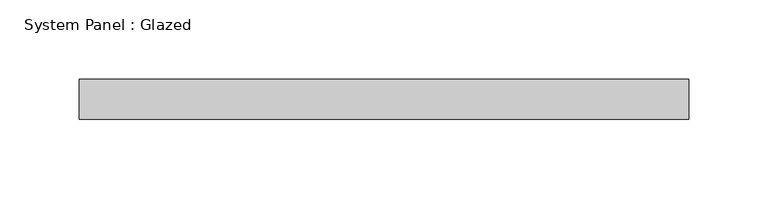
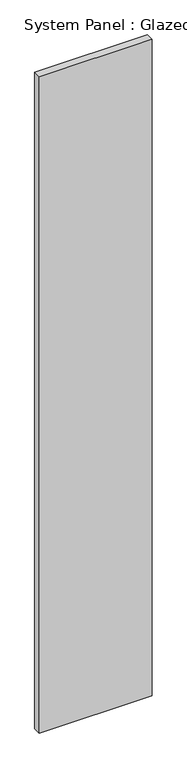
"""IFC4 building model written with IfcOpenShell, lengths in millimetres: plate geometry, System Panel : Glazed."""

from ifc_helpers import new_model, si_unit, origin, origin_with_axes, place, context, project, spatial, polyline, outline, extrude, source, transform, mapped, element, save


def system_panel_glazed_11ad25b8(model_context):
    return source(origin(), model_context, "Body", "SweptSolid", [
        extrude(outline(polyline([(192.8873579, -12.7), (-192.8873579, -12.7), (-192.8873579, 12.7), (192.8873579, 12.7), (192.8873579, -12.7)])), origin_with_axes(), (0.0, 0.0, 1.0), 2367.7626),
    ])


if __name__ == "__main__":
    model = new_model("IFC4")
    model_context = context("Model", 3, world=origin())
    ifc_project = project(units=[si_unit("LENGTHUNIT", "METRE", prefix="MILLI")], contexts=[model_context])
    site = spatial("IfcSite", under=ifc_project)
    building = spatial("IfcBuilding", under=site)
    placement = place(None, origin())
    system_panel_glazed_shape = system_panel_glazed_11ad25b8(model_context)
    element("IfcPlate", 1, ObjectType="System Panel : Glazed", at=placement, inside=building, context=model_context, shape_type="MappedRepresentation", body=[
        mapped(system_panel_glazed_shape, transform((0.0, 0.0, 0.0), x_axis=(1.0, 0.0, 0.0), y_axis=(0.0, 1.0, 0.0), z_axis=(0.0, 0.0, 1.0))),
    ])
    save(model, "model.ifc")
